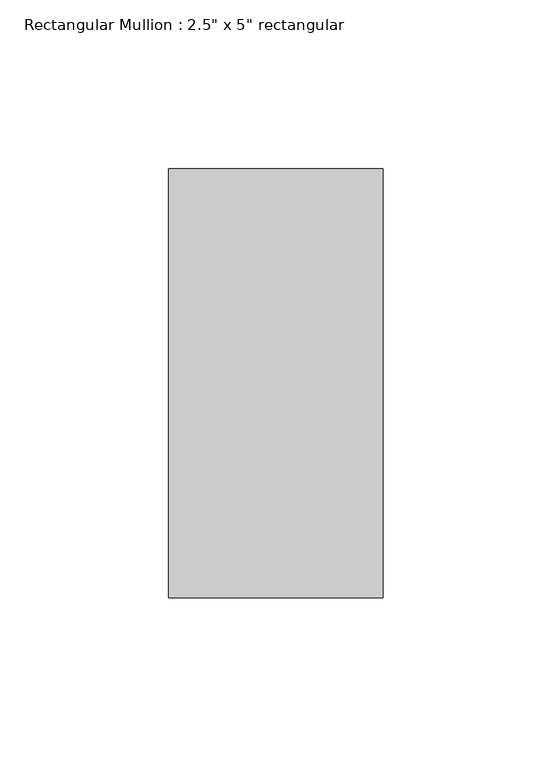
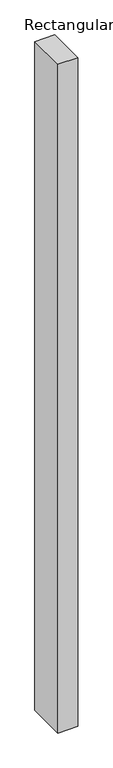
"""IFC4 building model written with IfcOpenShell, lengths in millimetres: member geometry."""

from ifc_helpers import new_model, si_unit, frame, origin, place, context, project, spatial, polyline, outline, extrude, source, transform, mapped, element, save


def member_3bdc933a(model_context):
    return source(origin(), model_context, "Body", "SweptSolid", [
        extrude(outline(polyline([(0.0, 63.5), (0.0, -63.5), (-63.5, -63.5), (-63.5, 63.5), (0.0, 63.5)])), frame((0.0, 0.0, -2251.7825779), z_axis=(0.0, 0.0, 1.0), x_axis=(1.0, 0.0, 0.0)), (0.0, 0.0, 1.0), 2251.7825779),
    ])


if __name__ == "__main__":
    model = new_model("IFC4")
    model_context = context("Model", 3, world=origin())
    ifc_project = project(units=[si_unit("LENGTHUNIT", "METRE", prefix="MILLI")], contexts=[model_context])
    site = spatial("IfcSite", under=ifc_project)
    building = spatial("IfcBuilding", under=site)
    placement = place(None, origin())
    member_shape = member_3bdc933a(model_context)
    element("IfcMember", 1, ObjectType="Rectangular Mullion : 2.5\" x 5\" rectangular", at=placement, inside=building, context=model_context, shape_type="MappedRepresentation", body=[
        mapped(member_shape, transform((0.0, 0.0, 0.0), x_axis=(1.0, 0.0, 0.0), y_axis=(0.0, 1.0, 0.0), z_axis=(0.0, 0.0, 1.0))),
    ])
    save(model, "model.ifc")
